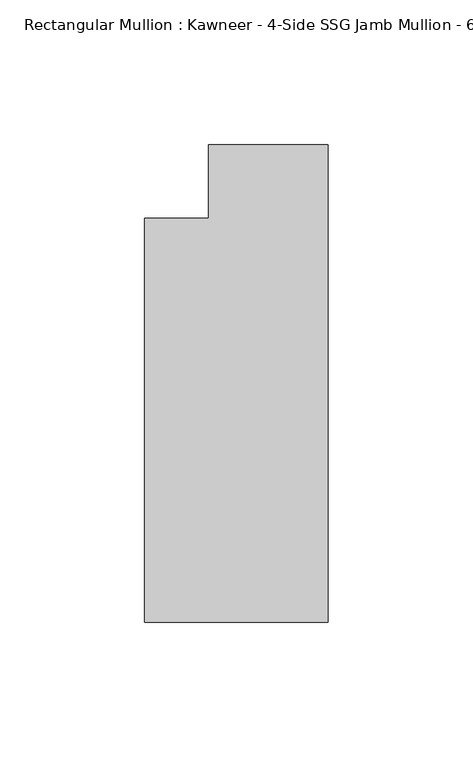
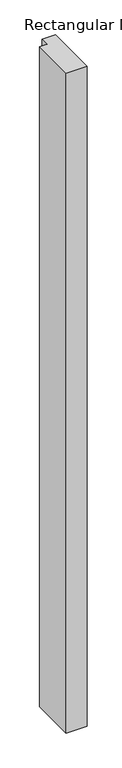
"""IFC4 building model written with IfcOpenShell, lengths in millimetres: member geometry."""

from ifc_helpers import new_model, si_unit, frame, origin, place, context, project, spatial, polyline, outline, extrude, source, transform, mapped, element, save


def member_d473801a(model_context):
    return source(origin(), model_context, "Body", "SweptSolid", [
        extrude(outline(polyline([(0.0, -152.399995), (-63.5, -152.399995), (-63.5, -12.7), (-41.2751132, -12.7), (-41.2751132, 12.7), (0.0, 12.7), (0.0, -152.399995)])), frame((0.0, 0.0, -2113.59299), z_axis=(0.0, 0.0, 1.0), x_axis=(1.0, 0.0, 0.0)), (0.0, 0.0, 1.0), 2113.59299),
    ])


if __name__ == "__main__":
    model = new_model("IFC4")
    model_context = context("Model", 3, world=origin())
    ifc_project = project(units=[si_unit("LENGTHUNIT", "METRE", prefix="MILLI")], contexts=[model_context])
    site = spatial("IfcSite", under=ifc_project)
    building = spatial("IfcBuilding", under=site)
    placement = place(None, origin())
    member_shape = member_d473801a(model_context)
    element("IfcMember", 1, ObjectType="Rectangular Mullion : Kawneer - 4-Side SSG Jamb Mullion - 6 1/2\" - Left", at=placement, inside=building, context=model_context, shape_type="MappedRepresentation", body=[
        mapped(member_shape, transform((0.0, 0.0, 0.0), x_axis=(1.0, 0.0, 0.0), y_axis=(0.0, 1.0, 0.0), z_axis=(0.0, 0.0, 1.0))),
    ])
    save(model, "model.ifc")
